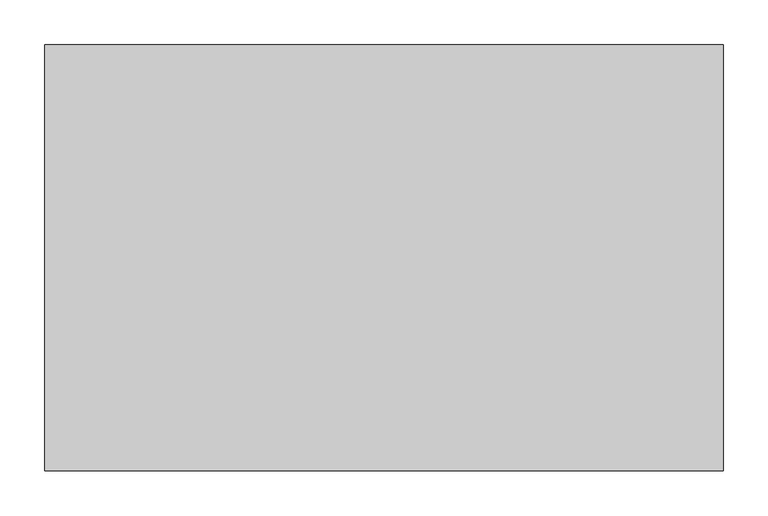
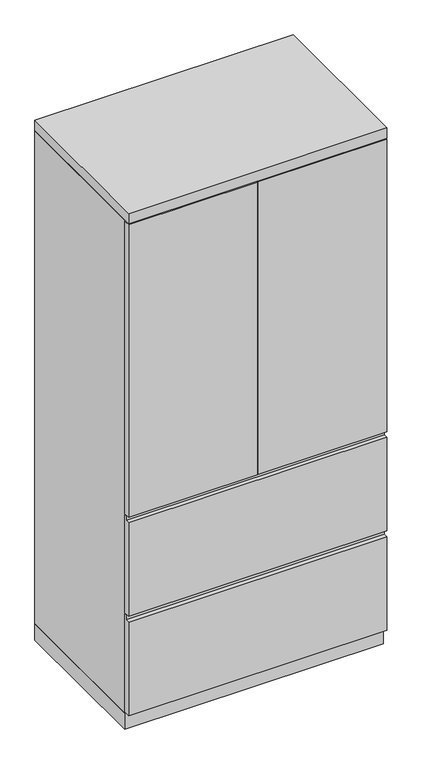
"""IFC4 building model written with IfcOpenShell, lengths in millimetres: furniture geometry."""

from ifc_helpers import new_model, si_unit, frame, origin, origin_with_axes, place, context, project, spatial, polyline, outline, extrude, source, transform, mapped, element, save


def furniture_bb0dcb67(model_context):
    return source(origin(), model_context, "Body", "SweptSolid", [
        extrude(outline(polyline([(360.3625, -19.05), (360.3625, -457.2), (-360.3625, -457.2), (-360.3625, -19.05), (360.3625, -19.05)])), frame((0.0, 0.0, 1267.8833333), z_axis=(0.0, 0.0, 1.0), x_axis=(1.0, 0.0, 0.0)), (0.0, 0.0, 1.0), 19.05),
        extrude(outline(polyline([(-379.4125, -476.25), (-379.4125, -457.2), (-1.5875, -457.2), (-1.5875, -476.25), (-379.4125, -476.25)])), frame((0.0, 0.0, 669.925), z_axis=(0.0, 0.0, 1.0), x_axis=(1.0, 0.0, 0.0)), (0.0, 0.0, 1.0), 908.05),
        extrude(outline(polyline([(379.4125, -476.25), (1.5875, -476.25), (1.5875, -457.2), (379.4125, -457.2), (379.4125, -476.25)])), frame((0.0, 0.0, 669.925), z_axis=(0.0, 0.0, 1.0), x_axis=(1.0, 0.0, 0.0)), (0.0, 0.0, 1.0), 908.05),
        extrude(outline(polyline([(360.3625, -19.05), (360.3625, -457.2), (-360.3625, -457.2), (-360.3625, -19.05), (360.3625, -19.05)])), frame((0.0, 0.0, 964.1416667), z_axis=(0.0, 0.0, 1.0), x_axis=(1.0, 0.0, 0.0)), (0.0, 0.0, 1.0), 19.05),
        extrude(outline(polyline([(-457.2, 361.95), (-476.25, 361.95), (-476.25, 652.4625), (-463.55, 652.4625), (-463.55, 666.75), (-457.2, 666.75), (-457.2, 361.95)])), frame((-379.4125, 0.0, 0.0), z_axis=(1.0, 0.0, 0.0), x_axis=(0.0, 1.0, 0.0)), (0.0, 0.0, 1.0), 758.825),
        extrude(outline(polyline([(-457.2, 53.975), (-476.25, 53.975), (-476.25, 344.4875), (-463.55, 344.4875), (-463.55, 358.775), (-457.2, 358.775), (-457.2, 53.975)])), frame((-379.4125, 0.0, 0.0), z_axis=(1.0, 0.0, 0.0), x_axis=(0.0, 1.0, 0.0)), (0.0, 0.0, 1.0), 758.825),
        extrude(outline(polyline([(360.3625, -19.05), (360.3625, -457.2), (-360.3625, -457.2), (-360.3625, -19.05), (360.3625, -19.05)])), frame((0.0, 0.0, 50.8), z_axis=(0.0, 0.0, 1.0), x_axis=(1.0, 0.0, 0.0)), (0.0, 0.0, 1.0), 619.125),
        extrude(outline(polyline([(-379.4125, 0.0), (379.4125, 0.0), (379.4125, -457.2), (360.3625, -457.2), (360.3625, -19.05), (-360.3625, -19.05), (-360.3625, -457.2), (-379.4125, -457.2), (-379.4125, 0.0)])), frame((0.0, 0.0, 50.8), z_axis=(0.0, 0.0, 1.0), x_axis=(1.0, 0.0, 0.0)), (0.0, 0.0, 1.0), 1530.35),
        extrude(outline(polyline([(379.4125, 0.0), (379.4125, -476.25), (-379.4125, -476.25), (-379.4125, 0.0), (379.4125, 0.0)])), frame((0.0, 0.0, 1581.15), z_axis=(0.0, 0.0, 1.0), x_axis=(1.0, 0.0, 0.0)), (0.0, 0.0, 1.0), 31.75),
        extrude(outline(polyline([(379.4125, 0.0), (379.4125, -457.2), (-379.4125, -457.2), (-379.4125, 0.0), (379.4125, 0.0)])), origin_with_axes(), (0.0, 0.0, 1.0), 50.8),
    ])


if __name__ == "__main__":
    model = new_model("IFC4")
    model_context = context("Model", 3, world=origin())
    ifc_project = project(units=[si_unit("LENGTHUNIT", "METRE", prefix="MILLI")], contexts=[model_context])
    site = spatial("IfcSite", under=ifc_project)
    building = spatial("IfcBuilding", under=site)
    placement = place(None, origin())
    furniture_shape = furniture_bb0dcb67(model_context)
    element("IfcFurniture", 1, at=placement, inside=building, context=model_context, shape_type="MappedRepresentation", body=[
        mapped(furniture_shape, transform((0.0, 0.0, 0.0), x_axis=(1.0, 0.0, 0.0), y_axis=(0.0, 1.0, 0.0), z_axis=(0.0, 0.0, 1.0))),
    ])
    save(model, "model.ifc")
